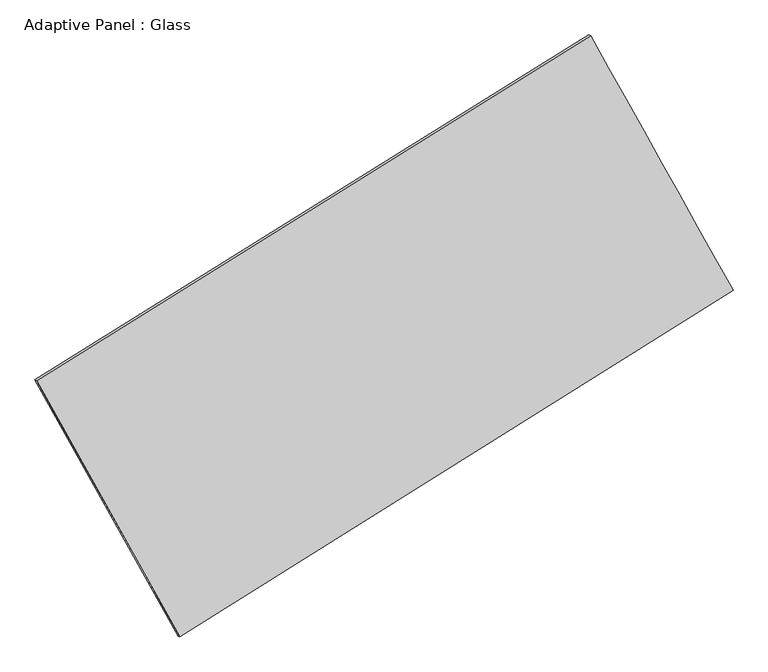
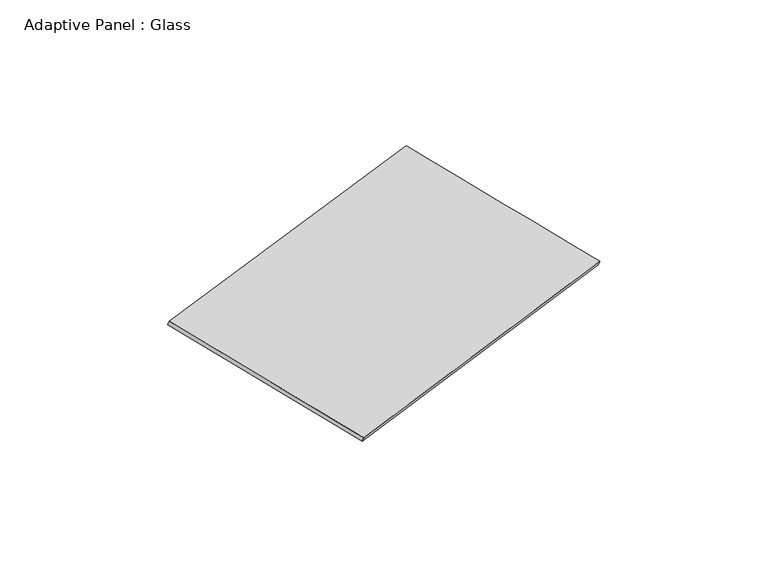
"""IFC4 building model written with IfcOpenShell, lengths in millimetres: plate geometry, Adaptive Panel : Glass."""

from ifc_helpers import new_model, si_unit, frame, origin, place, context, project, spatial, source, transform, mapped, element, save
from ifc_brep_helpers import plane_surface, spline_surface, advanced_brep


def adaptive_panel_glass_77045863(model_context):
    return source(origin(), model_context, "Body", "AdvancedBrep", [
        advanced_brep(
        [(1169.2604508, 2557.5111611, 664.8665922), (-3735.2859197, -495.410422, 1773.8057377), (-3720.6195638, -501.7905155, 1821.1786457), (1183.9268066, 2551.1310676, 712.2395002), (-2467.3341473, -2764.5128885, 1073.978686), (-2452.6677915, -2770.8929819, 1121.351594), (2430.0690381, 302.1635765, -27.5284956), (2444.7353939, 295.7834831, 19.8444124)],
        [
            (0, 1),
            (1, 2),
            (2, 3),
            (3, 0),
            (1, 4),
            (4, 5),
            (5, 2),
            (4, 6),
            (6, 7),
            (7, 5),
            (6, 0),
            (3, 7),
        ],
        [
            plane_surface(frame((-1283.0127345, 1031.0503695, 1219.3361649), z_axis=(-0.46765478436439467, 0.8452314278771194, 0.25861716105064936), x_axis=(-0.8337418586986425, -0.5189773575127116, 0.18851264000818635))),
            plane_surface(frame((-3101.3100335, -1629.9616552, 1423.8922118), z_axis=(-0.831823418660307, -0.5225356192189494, 0.18715321748703334), x_axis=(0.4710261423492434, -0.8429394592723373, -0.2599758473882718))),
            plane_surface(frame((-18.6325546, -1231.174656, 523.2250952), z_axis=(0.4700468047343839, -0.8437380306823329, -0.25915658768261124), x_axis=(0.8325548788930607, 0.5213327055657713, -0.18725539708866643))),
            plane_surface(frame((1799.6647444, 1429.8373688, 318.6690483), z_axis=(0.8318490240220409, 0.5224898061368534, -0.1871673147658307), x_axis=(-0.471329753851615, 0.8431195920853767, 0.2588389780847625))),
            spline_surface(1, 1, [[(-3720.6195638, -501.7905155, 1821.1786457), (1183.9268066, 2551.1310676, 712.2395002)], [(-2452.6677915, -2770.8929819, 1121.351594), (2444.7353939, 295.7834831, 19.8444124)]], [2, 2], [2, 2], [0.0, 1.0], [0.0, 1.0]),
            spline_surface(1, 1, [[(2430.0690381, 302.1635765, -27.5284956), (1169.2604508, 2557.5111611, 664.8665922)], [(-2467.3341473, -2764.5128885, 1073.978686), (-3735.2859197, -495.410422, 1773.8057377)]], [2, 2], [2, 2], [0.0, 1.0], [0.0, 1.0]),
        ],
        [
            (0, [[1, 2, 3, 4]]),
            (1, [[5, 6, 7, -2]]),
            (2, [[8, 9, 10, -6]]),
            (3, [[11, -4, 12, -9]]),
            (4, [[-3, -7, -10, -12]]),
            (5, [[-11, -8, -5, -1]]),
        ],
    ),
    ])


if __name__ == "__main__":
    model = new_model("IFC4")
    model_context = context("Model", 3, world=origin())
    ifc_project = project(units=[si_unit("LENGTHUNIT", "METRE", prefix="MILLI")], contexts=[model_context])
    site = spatial("IfcSite", under=ifc_project)
    building = spatial("IfcBuilding", under=site)
    placement = place(None, origin())
    adaptive_panel_glass_shape = adaptive_panel_glass_77045863(model_context)
    element("IfcPlate", 1, ObjectType="Adaptive Panel : Glass", at=placement, inside=building, context=model_context, shape_type="MappedRepresentation", body=[
        mapped(adaptive_panel_glass_shape, transform((0.0, 0.0, 0.0), x_axis=(1.0, 0.0, 0.0), y_axis=(0.0, 1.0, 0.0), z_axis=(0.0, 0.0, 1.0))),
    ])
    save(model, "model.ifc")
